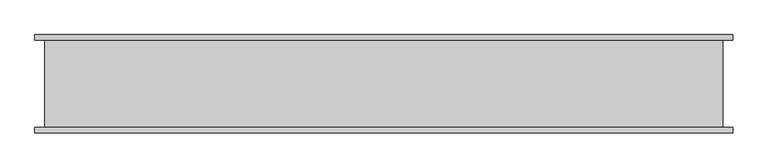
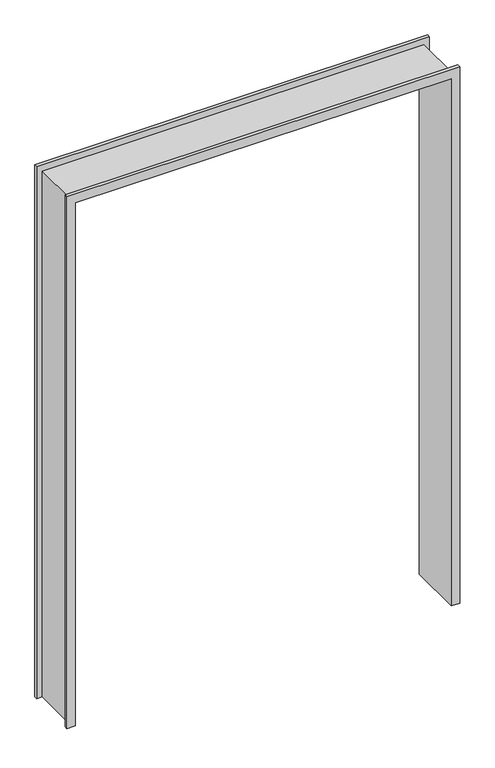
"""IFC4 building model written with IfcOpenShell, lengths in millimetres: proxy geometry."""

import ifcopenshell
import ifcopenshell.guid

model = None  # the IFC model being written
_history = None  # IfcOwnerHistory: only IFC2X3 demands one
_inside = {}  # id of a spatial element -> (the spatial element, [elements in it])
_under = {}  # id of a project, library or spatial element -> (it, [spatial elements below it])
_declared = {}  # id of a project -> (the project, [libraries it declares])
_typed = {}  # id of a type object -> (the type object, [elements of that type])
_made_of = {}  # id of a material, layer set ... -> (it, [elements and type objects made of it])


def new_model(schema):
    """Start an empty IFC model of exactly this schema.

    Asked for "IFC4X3", IfcOpenShell would pick the latest addendum, in which some entities
    have other attributes; the version numbers below select the first issue.
    IFC2X3 requires an IfcOwnerHistory on every rooted entity: one is made here for all.
    """
    global model, _history
    if schema == "IFC4X3":
        model = ifcopenshell.file(schema_version=(4, 3, 0, 0))
    else:
        model = ifcopenshell.file(schema=schema)
    _inside.clear()
    _under.clear()
    _declared.clear()
    _typed.clear()
    _made_of.clear()
    _history = None
    if model.schema == "IFC2X3":
        org = make("IfcOrganization", Name="unknown")
        user = make(
            "IfcPersonAndOrganization",
            ThePerson=make("IfcPerson", FamilyName="unknown"),
            TheOrganization=org,
        )
        app = make(
            "IfcApplication",
            ApplicationDeveloper=org,
            Version="unknown",
            ApplicationFullName="unknown",
            ApplicationIdentifier="unknown",
        )
        _history = make(
            "IfcOwnerHistory",
            OwningUser=user,
            OwningApplication=app,
            ChangeAction="ADDED",
            CreationDate=0,
        )
    return model


def make(cls, **values):
    """One entity of the class cls with the attributes given. An attribute that is None is left unset."""
    return model.create_entity(
        cls, **{name: value for name, value in values.items() if value is not None}
    )


def rooted(cls, **values):
    """An entity with a GlobalId (a new one), such as an element, a storey or a relation."""
    return make(cls, GlobalId=ifcopenshell.guid.new(), OwnerHistory=_history, **values)


def si_unit(unit_type, name, prefix=None):
    """IfcSIUnit, for example si_unit("LENGTHUNIT", "METRE", prefix="MILLI")."""
    return make("IfcSIUnit", UnitType=unit_type, Prefix=prefix, Name=name)


def assignment(units):
    """IfcUnitAssignment: the units of a project."""
    return None if units is None else make("IfcUnitAssignment", Units=units)


def point(xyz):
    """IfcCartesianPoint."""
    return None if xyz is None else make("IfcCartesianPoint", Coordinates=xyz)


def direction(xyz):
    """IfcDirection."""
    return None if xyz is None else make("IfcDirection", DirectionRatios=xyz)


def frame(location, z_axis=None, x_axis=None):
    """IfcAxis2Placement3D, a coordinate frame: its origin and axes. An axis left out is left unset."""
    return make(
        "IfcAxis2Placement3D",
        Location=point(location),
        Axis=direction(z_axis),
        RefDirection=direction(x_axis),
    )


def origin():
    """The frame at (0, 0, 0) with its axes left unset."""
    return frame((0.0, 0.0, 0.0))


def place(relative_to, where):
    """IfcLocalPlacement: puts the frame where relative to a parent placement (None: the world)."""
    return make(
        "IfcLocalPlacement", PlacementRelTo=relative_to, RelativePlacement=where
    )


def context(
    kind, dimensions, precision=None, world=None, true_north=None, identifier=None
):
    """IfcGeometricRepresentationContext, for example the 3D "Model" context."""
    return make(
        "IfcGeometricRepresentationContext",
        ContextIdentifier=identifier,
        ContextType=kind,
        CoordinateSpaceDimension=dimensions,
        Precision=precision,
        WorldCoordinateSystem=world,
        TrueNorth=true_north,
    )


def project(units=None, contexts=None):
    """IfcProject with its units and contexts."""
    return rooted(
        "IfcProject",
        Name="project",
        RepresentationContexts=contexts,
        UnitsInContext=assignment(units),
    )


def spatial(cls, under=None, at=None, **own):
    """A site, building, storey or space (cls), placed at a placement, below another one or the project."""
    s = rooted(cls, ObjectPlacement=at, **own)
    if under is not None:
        _under.setdefault(under.id(), (under, []))[1].append(s)
    return s


def faces_of(points, faces, orient=None, outer=None):
    """IfcFace entities. A face is a list of loops; a loop is a list of indices into points, from 0.

    orient and outer hold one flag for each loop. By default every Orientation is true, the
    first loop of a face is its IfcFaceOuterBound and the others are IfcFaceBound.
    """
    made = []
    for i, loops in enumerate(faces):
        bounds = []
        for j, loop in enumerate(loops):
            is_outer = j == 0 if outer is None else outer[i][j]
            bounds.append(
                make(
                    "IfcFaceOuterBound" if is_outer else "IfcFaceBound",
                    Bound=make("IfcPolyLoop", Polygon=[points[k] for k in loop]),
                    Orientation=True if orient is None else orient[i][j],
                )
            )
        made.append(make("IfcFace", Bounds=bounds))
    return made


def faceted_brep(points, faces, orient=None, outer=None, voids=None):
    """IfcFacetedBrep: a solid bounded by flat faces; with voids (closed shells), ...WithVoids."""
    shared = [point(p) for p in points]
    hull = make("IfcClosedShell", CfsFaces=faces_of(shared, faces, orient, outer))
    if voids is None:
        return make("IfcFacetedBrep", Outer=hull)
    return make(
        "IfcFacetedBrepWithVoids",
        Outer=hull,
        Voids=[
            make(cls, CfsFaces=faces_of(shared, fs, o, b)) for cls, fs, o, b in voids
        ],
    )


def shape(context_of_items, identifier, shape_type, items):
    """IfcShapeRepresentation: the items that make up one representation, for example the "Body"."""
    return make(
        "IfcShapeRepresentation",
        ContextOfItems=context_of_items,
        RepresentationIdentifier=identifier,
        RepresentationType=shape_type,
        Items=items,
    )


def source(mapping_origin, context_of_items, identifier, shape_type, items):
    """IfcRepresentationMap: a shape defined once, which mapped items show again and again."""
    return make(
        "IfcRepresentationMap",
        MappingOrigin=mapping_origin,
        MappedRepresentation=shape(context_of_items, identifier, shape_type, items),
    )


def transform(
    local_origin,
    x_axis=None,
    y_axis=None,
    z_axis=None,
    scale=None,
    scale2=None,
    scale3=None,
    uniform=True,
):
    """IfcCartesianTransformationOperator3D, or its non-uniform kind. x_axis, y_axis, z_axis: its Axis1, 2, 3."""
    if uniform:
        return make(
            "IfcCartesianTransformationOperator3D",
            Axis1=direction(x_axis),
            Axis2=direction(y_axis),
            LocalOrigin=point(local_origin),
            Scale=scale,
            Axis3=direction(z_axis),
        )
    return make(
        "IfcCartesianTransformationOperator3DnonUniform",
        Axis1=direction(x_axis),
        Axis2=direction(y_axis),
        LocalOrigin=point(local_origin),
        Scale=scale,
        Axis3=direction(z_axis),
        Scale2=scale2,
        Scale3=scale3,
    )


def mapped(mapping_source, mapping_target):
    """IfcMappedItem: shows the shape of a source again, moved by a transform."""
    return make(
        "IfcMappedItem", MappingSource=mapping_source, MappingTarget=mapping_target
    )


def made_of(thing, what):
    """Note that an element or type object is made of a material, layer set ...; save() writes the relation."""
    if what is not None:
        _made_of.setdefault(what.id(), (what, []))[1].append(thing)
    return thing


def element(
    cls,
    number,
    at=None,
    inside=None,
    cuts=None,
    type_object=None,
    material=None,
    context=None,
    identifier="Body",
    shape_type=None,
    held_by="IfcProductDefinitionShape",
    body=None,
    shapes=None,
    **own,
):
    """One element of the class cls, such as IfcWall. Its Tag is "e" and its number.

    at: its placement. inside: the storey or other place that contains it. cuts: it is an
    opening in that element (IfcRelVoidsElement). A single representation is given by context,
    identifier, shape_type and body (its items); several are given by shapes. held_by: the class
    of the entity that holds the representations. save() writes the other relations.
    """
    e = rooted(cls, Tag="e%d" % number, ObjectPlacement=at, **own)
    if body is not None:
        shapes = [shape(context, identifier, shape_type, body)]
    if shapes is not None:
        e.Representation = make(held_by, Representations=shapes)
    if inside is not None:
        _inside.setdefault(inside.id(), (inside, []))[1].append(e)
    if cuts is not None:
        rooted(
            "IfcRelVoidsElement", RelatingBuildingElement=cuts, RelatedOpeningElement=e
        )
    if type_object is not None:
        _typed.setdefault(type_object.id(), (type_object, []))[1].append(e)
    return made_of(e, material)


def aggregate(whole, parts):
    """IfcRelAggregates: a whole, such as a stair, and the parts it consists of."""
    return rooted("IfcRelAggregates", RelatingObject=whole, RelatedObjects=parts)


def save(model, path):
    """Write the relations noted so far, then the file.

    IfcRelAggregates (storeys below a building ...), IfcRelContainedInSpatialStructure (elements
    in a storey), IfcRelDefinesByType, IfcRelAssociatesMaterial and IfcRelDeclares: one each for
    every whole, place, type object, material and project.
    """
    for whole, parts in _under.values():
        aggregate(whole, parts)
    for where, things in _inside.values():
        rooted(
            "IfcRelContainedInSpatialStructure",
            RelatedElements=things,
            RelatingStructure=where,
        )
    for kind, things in _typed.values():
        rooted("IfcRelDefinesByType", RelatedObjects=things, RelatingType=kind)
    for what, things in _made_of.values():
        rooted("IfcRelAssociatesMaterial", RelatedObjects=things, RelatingMaterial=what)
    for by, libraries in _declared.values():
        rooted("IfcRelDeclares", RelatingContext=by, RelatedDefinitions=libraries)
    model.write(path)


def specialty_equipment_e05dea0c(model_context):
    return source(origin(), model_context, "Body", "Brep", [
        faceted_brep([(856.2442422, -7.7140625, -25.4), (856.2442422, 292.2859375, -25.4), (902.9173422, 292.2859375, -25.4), (902.9173422, 275.7859375, -25.4), (873.2442422, 275.7859375, -25.4), (873.2442422, 8.7859375, -25.4), (902.9173422, 8.7859375, -25.4), (902.9173422, -7.7140625, -25.4), (873.2442422, 8.7859375, 3012.8984), (-1196.4030564, 8.7859375, 3012.8984), (-1196.4030564, 8.7859375, 0.0), (-1226.0761564, 8.7859375, 0.0), (-1226.0761564, 8.7859375, 3047.9944), (902.9173422, 8.7859375, 3047.9944), (-1179.4030564, -7.7140625, 0.0), (-1179.4030564, -7.7140625, 2995.8984), (856.2442422, -7.7140625, 2995.8984), (902.9173422, -7.7140625, 3047.9944), (-1226.0761564, -7.7140625, 3047.9944), (-1226.0761564, -7.7140625, 0.0), (856.2442422, 292.2859375, 2995.8984), (-1179.4030564, 292.2859375, 2995.8984), (-1179.4030564, 292.2859375, 0.0), (-1226.0761564, 292.2859375, 0.0), (-1226.0761564, 292.2859375, 3047.9944), (902.9173422, 292.2859375, 3047.9944), (-1196.4030564, 275.7859375, 0.0), (-1196.4030564, 275.7859375, 3012.8984), (873.2442422, 275.7859375, 3012.8984), (902.9173422, 275.7859375, 3047.9944), (-1226.0761564, 275.7859375, 3047.9944), (-1226.0761564, 275.7859375, 0.0)], [[[0, 1, 2, 3, 4, 5, 6, 7]], [[5, 8, 9, 10, 11, 12, 13, 6]], [[14, 15, 16, 0, 7, 17, 18, 19]], [[1, 0, 16, 20]], [[1, 20, 21, 22, 23, 24, 25, 2]], [[26, 27, 28, 4, 3, 29, 30, 31]], [[5, 4, 28, 8]], [[18, 17, 13, 12]], [[16, 15, 21, 20]], [[30, 29, 25, 24]], [[9, 8, 28, 27]], [[10, 26, 31, 23, 22, 14, 19, 11]], [[15, 14, 22, 21]], [[10, 9, 27, 26]], [[12, 11, 19, 18]], [[24, 23, 31, 30]], [[3, 2, 25, 29]], [[7, 6, 13, 17]]]),
    ])


if __name__ == "__main__":
    model = new_model("IFC4")
    model_context = context("Model", 3, world=origin())
    ifc_project = project(units=[si_unit("LENGTHUNIT", "METRE", prefix="MILLI")], contexts=[model_context])
    site = spatial("IfcSite", under=ifc_project)
    building = spatial("IfcBuilding", under=site)
    placement = place(None, origin())
    specialty_equipment_shape = specialty_equipment_e05dea0c(model_context)
    element("IfcBuildingElementProxy", 1, Name="Specialty Equipment", at=placement, inside=building, context=model_context, shape_type="MappedRepresentation", body=[
        mapped(specialty_equipment_shape, transform((0.0, 0.0, 0.0), x_axis=(1.0, 0.0, 0.0), y_axis=(0.0, 1.0, 0.0), z_axis=(0.0, 0.0, 1.0))),
    ])
    save(model, "model.ifc")
